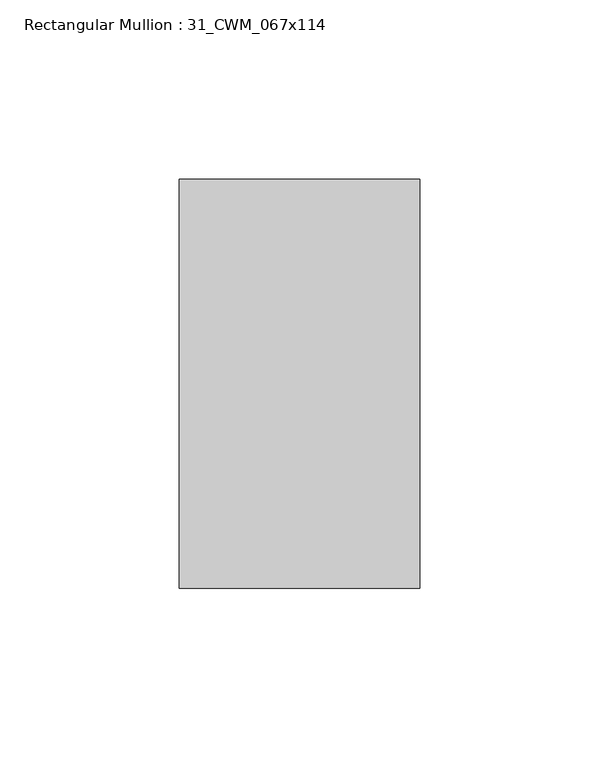
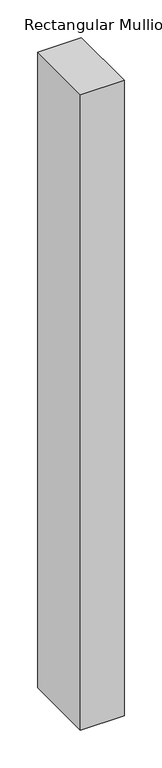
"""IFC4 building model written with IfcOpenShell, lengths in millimetres: member geometry, Rectangular Mullion : 31_CWM_067x114."""

from ifc_helpers import new_model, si_unit, frame, origin, place, context, project, spatial, polyline, outline, extrude, source, transform, mapped, element, save


def rectangular_mullion_31_cwm_067x114_54b85ed3(model_context):
    return source(origin(), model_context, "Body", "SweptSolid", [
        extrude(outline(polyline([(0.0, 0.0), (0.0, -114.0), (-67.0, -114.0), (-67.0, 0.0), (0.0, 0.0)])), frame((0.0, 0.0, -1033.0), z_axis=(0.0, 0.0, 1.0), x_axis=(1.0, 0.0, 0.0)), (0.0, 0.0, 1.0), 1033.0),
    ])


if __name__ == "__main__":
    model = new_model("IFC4")
    model_context = context("Model", 3, world=origin())
    ifc_project = project(units=[si_unit("LENGTHUNIT", "METRE", prefix="MILLI")], contexts=[model_context])
    site = spatial("IfcSite", under=ifc_project)
    building = spatial("IfcBuilding", under=site)
    placement = place(None, origin())
    rectangular_mullion_31_cwm_067x114_shape = rectangular_mullion_31_cwm_067x114_54b85ed3(model_context)
    element("IfcMember", 1, ObjectType="Rectangular Mullion : 31_CWM_067x114", at=placement, inside=building, context=model_context, shape_type="MappedRepresentation", body=[
        mapped(rectangular_mullion_31_cwm_067x114_shape, transform((0.0, 0.0, 0.0), x_axis=(1.0, 0.0, 0.0), y_axis=(0.0, 1.0, 0.0), z_axis=(0.0, 0.0, 1.0))),
    ])
    save(model, "model.ifc")
